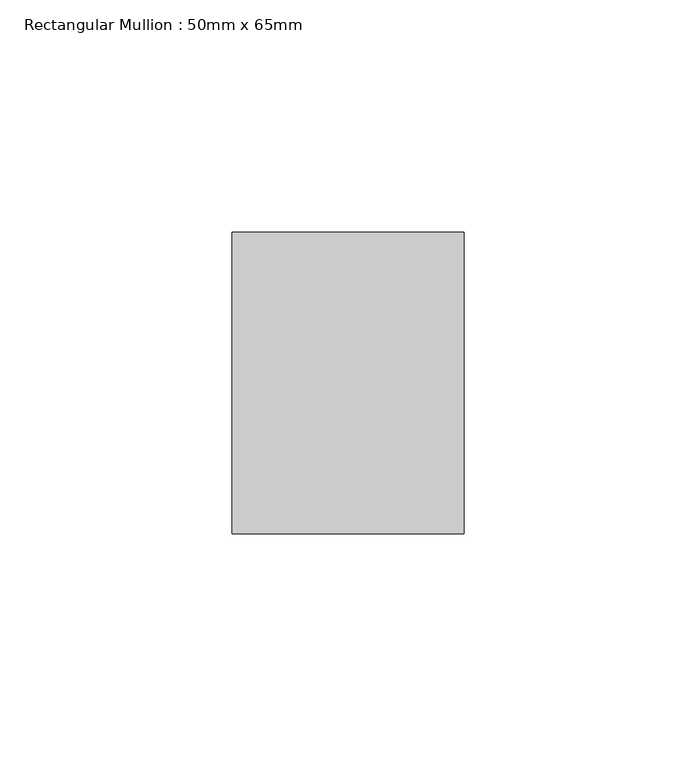
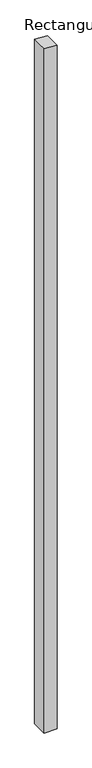
"""IFC4 building model written with IfcOpenShell, lengths in millimetres: member geometry, Rectangular Mullion : 50mm x 65mm."""

from ifc_helpers import new_model, si_unit, origin, place, context, project, spatial, faceted_brep, source, transform, mapped, element, save


def rectangular_mullion_50mm_x_65mm_fa941940(model_context):
    return source(origin(), model_context, "Body", "Brep", [
        faceted_brep([(25.0, 32.5, -2850.7244481), (25.0, -32.5, -2850.7244481), (-25.0, -32.5, -2850.7244481), (-25.0, 32.5, -2850.7244481), (-25.0, 32.5, 2.0075387), (25.0, 32.5, -0.4655276), (-25.0, -32.5, 0.4655276), (25.0, -32.5, -2.0075387)], [[[0, 1, 2, 3]], [[4, 5, 0, 3]], [[6, 4, 3, 2]], [[7, 6, 2, 1]], [[5, 7, 1, 0]], [[5, 4, 6, 7]]]),
    ])


if __name__ == "__main__":
    model = new_model("IFC4")
    model_context = context("Model", 3, world=origin())
    ifc_project = project(units=[si_unit("LENGTHUNIT", "METRE", prefix="MILLI")], contexts=[model_context])
    site = spatial("IfcSite", under=ifc_project)
    building = spatial("IfcBuilding", under=site)
    placement = place(None, origin())
    rectangular_mullion_50mm_x_65mm_shape = rectangular_mullion_50mm_x_65mm_fa941940(model_context)
    element("IfcMember", 1, ObjectType="Rectangular Mullion : 50mm x 65mm", at=placement, inside=building, context=model_context, shape_type="MappedRepresentation", body=[
        mapped(rectangular_mullion_50mm_x_65mm_shape, transform((0.0, 0.0, 0.0), x_axis=(1.0, 0.0, 0.0), y_axis=(0.0, 1.0, 0.0), z_axis=(0.0, 0.0, 1.0))),
    ])
    save(model, "model.ifc")
